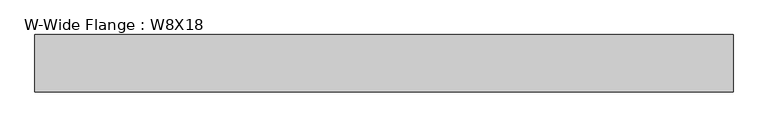
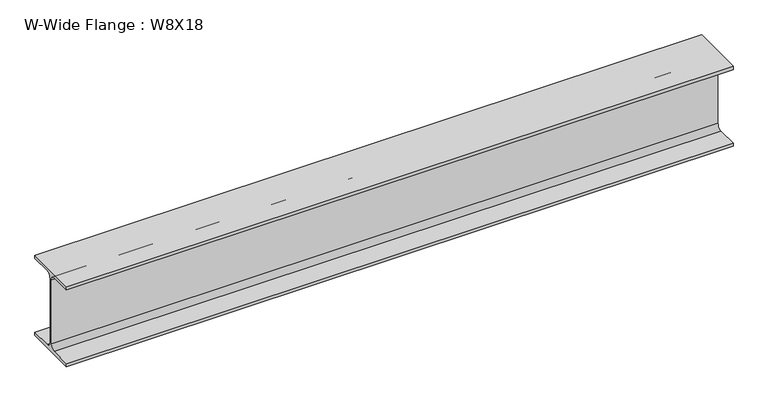
"""IFC4 building model written with IfcOpenShell, lengths in millimetres: beam geometry, W-Wide Flange : W8X18."""

from ifc_helpers import new_model, si_unit, point, frame, frame_2d, origin, place, context, project, spatial, polyline, circle_curve, trimmed, segment, composite_curve, outline, extrude, source, transform, mapped, element, save


def w_wide_flange_w8x18_61978fab(model_context):
    return source(origin(), model_context, "Body", "SweptSolid", [
        extrude(outline(composite_curve([segment(polyline([(66.675, -95.0515625), (66.675, -103.3859375), (-66.675, -103.3859375), (-66.675, -95.0515625), (-15.2300781, -95.0515625)]), True, "CONTINUOUS"), segment(trimmed(circle_curve(frame_2d((-15.2300781, -82.7484375)), 12.303125), [point((-15.2300781, -95.0515625))], [point((-2.9269531, -82.7484375))], True, "CARTESIAN"), True, "CONTINUOUS"), segment(polyline([(-2.9269531, -82.7484375), (-2.9269531, 82.7484375)]), True, "CONTINUOUS"), segment(trimmed(circle_curve(frame_2d((-15.2300781, 82.7484375)), 12.303125), [point((-2.9269531, 82.7484375))], [point((-15.2300781, 95.0515625))], True, "CARTESIAN"), True, "CONTINUOUS"), segment(polyline([(-15.2300781, 95.0515625), (-66.675, 95.0515625), (-66.675, 103.3859375), (66.675, 103.3859375), (66.675, 95.0515625), (15.2300781, 95.0515625)]), True, "CONTINUOUS"), segment(trimmed(circle_curve(frame_2d((15.2300781, 82.7484375)), 12.303125), [point((15.2300781, 95.0515625))], [point((2.9269531, 82.7484375))], True, "CARTESIAN"), True, "CONTINUOUS"), segment(polyline([(2.9269531, 82.7484375), (2.9269531, -82.7484375)]), True, "CONTINUOUS"), segment(trimmed(circle_curve(frame_2d((15.2300781, -82.7484375)), 12.303125), [point((2.9269531, -82.7484375))], [point((15.2300781, -95.0515625))], True, "CARTESIAN"), True, "CONTINUOUS"), segment(polyline([(15.2300781, -95.0515625), (66.675, -95.0515625)]), True, "CONTINUOUS")], self_intersect=False)), frame((-812.6511719, 0.0, 0.0), z_axis=(1.0, 0.0, 0.0), x_axis=(0.0, 1.0, 0.0)), (0.0, 0.0, 1.0), 1625.3023438),
    ])


if __name__ == "__main__":
    model = new_model("IFC4")
    model_context = context("Model", 3, world=origin())
    ifc_project = project(units=[si_unit("LENGTHUNIT", "METRE", prefix="MILLI")], contexts=[model_context])
    site = spatial("IfcSite", under=ifc_project)
    building = spatial("IfcBuilding", under=site)
    placement = place(None, origin())
    w_wide_flange_w8x18_shape = w_wide_flange_w8x18_61978fab(model_context)
    element("IfcBeam", 1, ObjectType="W-Wide Flange : W8X18", at=placement, inside=building, context=model_context, shape_type="MappedRepresentation", body=[
        mapped(w_wide_flange_w8x18_shape, transform((0.0, 0.0, 0.0), x_axis=(1.0, 0.0, 0.0), y_axis=(0.0, 1.0, 0.0), z_axis=(0.0, 0.0, 1.0))),
    ])
    save(model, "model.ifc")
